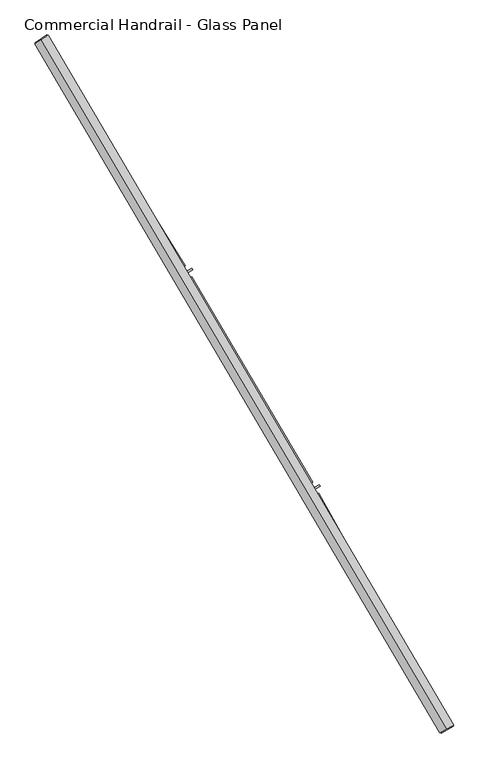
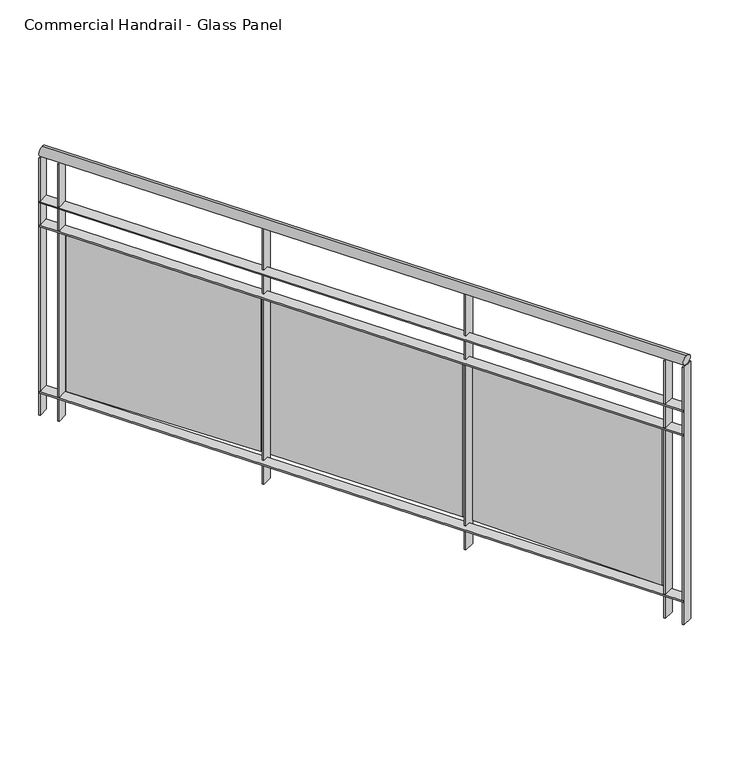
"""IFC4 building model written with IfcOpenShell, lengths in millimetres: railing geometry, Commercial Handrail - Glass Panel."""

from ifc_helpers import new_model, si_unit, point, frame, origin, place, context, project, spatial, polyline, circle_curve, ellipse_curve, trimmed, outline, extrude, source, transform, mapped, element, save
from ifc_brep_helpers import plane_surface, cylinder_surface, revolved_surface, advanced_brep


def commercial_handrail_glass_panel_e4160bf5(model_context):
    return source(origin(), model_context, "Body", "SolidModel", [
        advanced_brep(
        [(177076.0575657, -31977.9006077, 12882.5), (175783.9289157, -29780.3413827, 12882.5), (175783.9289157, -29780.3413827, 12917.5), (177076.0575657, -31977.9006077, 12917.5)],
        [
            (0, 1, circle_curve(frame((146629.3968491, -48401.3811221, 12882.5), z_axis=(0.0, 0.0, 1.0), x_axis=(0.8427679503753938, 0.5382770493157384, 0.0)), 34593.7835601)),
            (1, 2, ellipse_curve(frame((175783.9289157, -29780.3413827, 12900.0), z_axis=(0.5382770493157334, -0.842767950375397, 0.0), x_axis=(-0.842767950375397, -0.5382770493157334, 0.0)), 25.0, 17.5)),
            (2, 3, circle_curve(frame((146629.3968491, -48401.3811221, 12917.5), z_axis=(0.0, 0.0, -1.0), x_axis=(0.8427679503753938, 0.5382770493157384, 0.0)), 34593.7835601)),
            (3, 0, ellipse_curve(frame((177076.0575657, -31977.9006077, 12900.0), z_axis=(-0.47475236369846063, 0.8801194198304708, 0.0), x_axis=(-0.8801194198304708, -0.47475236369846063, 0.0)), 25.0, 17.5)),
            (2, 1, ellipse_curve(frame((175783.9289157, -29780.3413827, 12900.0), z_axis=(0.5382770493157334, -0.842767950375397, 0.0), x_axis=(-0.842767950375397, -0.5382770493157334, 0.0)), 25.0, 17.5)),
            (0, 3, ellipse_curve(frame((177076.0575657, -31977.9006077, 12900.0), z_axis=(-0.47475236369846063, 0.8801194198304708, 0.0), x_axis=(-0.8801194198304708, -0.47475236369846063, 0.0)), 25.0, 17.5)),
        ],
        [
            revolved_surface(trimmed(ellipse_curve(frame((175783.9289157, -29780.3413827, 12900.0), z_axis=(-0.5382770493157384, 0.8427679503753938, 0.0), x_axis=(0.0, 0.0, -1.0)), 17.5, 25.0), [point((175783.9289157, -29780.3413827, 12917.5))], [point((175783.9289157, -29780.3413827, 12882.5))], True, "CARTESIAN"), (146629.3968491, -48401.3811221, 12900.0), (0.0, 0.0, -1.0)),
            revolved_surface(trimmed(ellipse_curve(frame((175783.9289157, -29780.3413827, 12900.0), z_axis=(-0.5382770493157384, 0.8427679503753938, 0.0), x_axis=(0.0, 0.0, -1.0)), 17.5, 25.0), [point((175783.9289157, -29780.3413827, 12882.5))], [point((175783.9289157, -29780.3413827, 12917.5))], True, "CARTESIAN"), (146629.3968491, -48401.3811221, 12900.0), (0.0, 0.0, -1.0)),
            plane_surface(frame((175783.9289157, -29780.3413827, 12900.0), z_axis=(-0.5382770493157384, 0.8427679503753938, 0.0), x_axis=(0.8427679503753938, 0.5382770493157384, 0.0))),
            plane_surface(frame((177076.0575657, -31977.9006077, 12900.0), z_axis=(0.4747523636984607, -0.8801194198304708, 0.0), x_axis=(0.8801194198304708, 0.4747523636984607, 0.0))),
        ],
        [
            (0, [[1, 2, 3, 4]]),
            (1, [[-3, 5, -1, 6]]),
            (2, [[-2, -5]]),
            (3, [[-6, -4]]),
        ],
    ),
        advanced_brep(
        [(177095.8602527, -31967.2186795, 12700.0), (175802.8911946, -29768.2301491, 12700.0), (175764.9666369, -29792.4526163, 12700.0), (177056.2548788, -31988.5825359, 12700.0), (177095.8602527, -31967.2186795, 12694.0), (175802.8911946, -29768.2301491, 12694.0), (177056.2548788, -31988.5825359, 12694.0), (175764.9666369, -29792.4526163, 12694.0)],
        [
            (0, 1, circle_curve(frame((146629.3968491, -48401.3811221, 12700.0), z_axis=(0.0, 0.0, 1.0), x_axis=(0.8427679503753938, 0.5382770493157384, 0.0)), 34616.2835601)),
            (1, 2),
            (2, 3, circle_curve(frame((146629.3968491, -48401.3811221, 12700.0), z_axis=(0.0, 0.0, -1.0), x_axis=(0.8427679503753938, 0.5382770493157384, 0.0)), 34571.2835601)),
            (3, 0),
            (4, 5, circle_curve(frame((146629.3968491, -48401.3811221, 12694.0), z_axis=(0.0, 0.0, 1.0), x_axis=(0.8427679503753938, 0.5382770493157384, 0.0)), 34616.2835601)),
            (5, 1),
            (0, 4),
            (6, 7, circle_curve(frame((146629.3968491, -48401.3811221, 12694.0), z_axis=(0.0, 0.0, 1.0), x_axis=(0.8427679503753938, 0.5382770493157384, 0.0)), 34571.2835601)),
            (7, 5),
            (4, 6),
            (2, 7),
            (6, 3),
        ],
        [
            plane_surface(frame((146629.3968491, -48401.3811221, 12700.0), z_axis=(0.0, 0.0, 1.0), x_axis=(0.8427679503753938, 0.5382770493157384, 0.0))),
            cylinder_surface(frame((146629.3968491, -48401.3811221, 12700.0), z_axis=(0.0, 0.0, -1.0), x_axis=(0.8427679503753938, 0.5382770493157384, 0.0)), 34616.2835601),
            plane_surface(frame((146629.3968491, -48401.3811221, 12694.0), z_axis=(0.0, 0.0, -1.0), x_axis=(0.8427679503753938, 0.5382770493157384, 0.0))),
            revolved_surface(polyline([(175764.96663689203, -29792.45261631168, 12694.0), (175764.96663689203, -29792.45261631168, 12700.0)]), (146629.3968491, -48401.3811221, 12700.0), (0.0, 0.0, -1.0)),
            plane_surface(frame((175783.9289157, -29780.3413827, 12700.0), z_axis=(-0.5382770493157384, 0.8427679503753938, 0.0), x_axis=(0.8427679503753938, 0.5382770493157384, 0.0))),
            plane_surface(frame((177076.0575657, -31977.9006077, 12700.0), z_axis=(0.4747523636984607, -0.8801194198304708, 0.0), x_axis=(0.8801194198304708, 0.4747523636984607, 0.0))),
        ],
        [
            (0, [[1, 2, 3, 4]]),
            (1, [[5, 6, -1, 7]]),
            (2, [[8, 9, -5, 10]]),
            (3, [[-3, 11, -8, 12]]),
            (4, [[-2, -6, -9, -11]]),
            (5, [[-12, -10, -7, -4]]),
        ],
    ),
        advanced_brep(
        [(177095.8602527, -31967.2186795, 12600.0), (175802.8911946, -29768.2301491, 12600.0), (175764.9666369, -29792.4526163, 12600.0), (177056.2548788, -31988.5825359, 12600.0), (177095.8602527, -31967.2186795, 12594.0), (175802.8911946, -29768.2301491, 12594.0), (177056.2548788, -31988.5825359, 12594.0), (175764.9666369, -29792.4526163, 12594.0)],
        [
            (0, 1, circle_curve(frame((146629.3968491, -48401.3811221, 12600.0), z_axis=(0.0, 0.0, 1.0), x_axis=(0.8427679503753938, 0.5382770493157384, 0.0)), 34616.2835601)),
            (1, 2),
            (2, 3, circle_curve(frame((146629.3968491, -48401.3811221, 12600.0), z_axis=(0.0, 0.0, -1.0), x_axis=(0.8427679503753938, 0.5382770493157384, 0.0)), 34571.2835601)),
            (3, 0),
            (4, 5, circle_curve(frame((146629.3968491, -48401.3811221, 12594.0), z_axis=(0.0, 0.0, 1.0), x_axis=(0.8427679503753938, 0.5382770493157384, 0.0)), 34616.2835601)),
            (5, 1),
            (0, 4),
            (6, 7, circle_curve(frame((146629.3968491, -48401.3811221, 12594.0), z_axis=(0.0, 0.0, 1.0), x_axis=(0.8427679503753938, 0.5382770493157384, 0.0)), 34571.2835601)),
            (7, 5),
            (4, 6),
            (2, 7),
            (6, 3),
        ],
        [
            plane_surface(frame((146629.3968491, -48401.3811221, 12600.0), z_axis=(0.0, 0.0, 1.0), x_axis=(0.8427679503753938, 0.5382770493157384, 0.0))),
            cylinder_surface(frame((146629.3968491, -48401.3811221, 12600.0), z_axis=(0.0, 0.0, -1.0), x_axis=(0.8427679503753938, 0.5382770493157384, 0.0)), 34616.2835601),
            plane_surface(frame((146629.3968491, -48401.3811221, 12594.0), z_axis=(0.0, 0.0, -1.0), x_axis=(0.8427679503753938, 0.5382770493157384, 0.0))),
            revolved_surface(polyline([(175764.96663689203, -29792.45261631168, 12594.0), (175764.96663689203, -29792.45261631168, 12600.0)]), (146629.3968491, -48401.3811221, 12600.0), (0.0, 0.0, -1.0)),
            plane_surface(frame((175783.9289157, -29780.3413827, 12600.0), z_axis=(-0.5382770493157384, 0.8427679503753938, 0.0), x_axis=(0.8427679503753938, 0.5382770493157384, 0.0))),
            plane_surface(frame((177076.0575657, -31977.9006077, 12600.0), z_axis=(0.4747523636984607, -0.8801194198304708, 0.0), x_axis=(0.8801194198304708, 0.4747523636984607, 0.0))),
        ],
        [
            (0, [[1, 2, 3, 4]]),
            (1, [[5, 6, -1, 7]]),
            (2, [[8, 9, -5, 10]]),
            (3, [[-3, 11, -8, 12]]),
            (4, [[-2, -6, -9, -11]]),
            (5, [[-12, -10, -7, -4]]),
        ],
    ),
        advanced_brep(
        [(177095.8602527, -31967.2186795, 11900.0), (175802.8911946, -29768.2301491, 11900.0), (175764.9666369, -29792.4526163, 11900.0), (177056.2548788, -31988.5825359, 11900.0), (177095.8602527, -31967.2186795, 11894.0), (175802.8911946, -29768.2301491, 11894.0), (177056.2548788, -31988.5825359, 11894.0), (175764.9666369, -29792.4526163, 11894.0)],
        [
            (0, 1, circle_curve(frame((146629.3968491, -48401.3811221, 11900.0), z_axis=(0.0, 0.0, 1.0), x_axis=(0.8427679503753938, 0.5382770493157384, 0.0)), 34616.2835601)),
            (1, 2),
            (2, 3, circle_curve(frame((146629.3968491, -48401.3811221, 11900.0), z_axis=(0.0, 0.0, -1.0), x_axis=(0.8427679503753938, 0.5382770493157384, 0.0)), 34571.2835601)),
            (3, 0),
            (4, 5, circle_curve(frame((146629.3968491, -48401.3811221, 11894.0), z_axis=(0.0, 0.0, 1.0), x_axis=(0.8427679503753938, 0.5382770493157384, 0.0)), 34616.2835601)),
            (5, 1),
            (0, 4),
            (6, 7, circle_curve(frame((146629.3968491, -48401.3811221, 11894.0), z_axis=(0.0, 0.0, 1.0), x_axis=(0.8427679503753938, 0.5382770493157384, 0.0)), 34571.2835601)),
            (7, 5),
            (4, 6),
            (2, 7),
            (6, 3),
        ],
        [
            plane_surface(frame((146629.3968491, -48401.3811221, 11900.0), z_axis=(0.0, 0.0, 1.0), x_axis=(0.8427679503753938, 0.5382770493157384, 0.0))),
            cylinder_surface(frame((146629.3968491, -48401.3811221, 11900.0), z_axis=(0.0, 0.0, -1.0), x_axis=(0.8427679503753938, 0.5382770493157384, 0.0)), 34616.2835601),
            plane_surface(frame((146629.3968491, -48401.3811221, 11894.0), z_axis=(0.0, 0.0, -1.0), x_axis=(0.8427679503753938, 0.5382770493157384, 0.0))),
            revolved_surface(polyline([(175764.96663689203, -29792.45261631168, 11894.0), (175764.96663689203, -29792.45261631168, 11900.0)]), (146629.3968491, -48401.3811221, 11900.0), (0.0, 0.0, -1.0)),
            plane_surface(frame((175783.9289157, -29780.3413827, 11900.0), z_axis=(-0.5382770493157384, 0.8427679503753938, 0.0), x_axis=(0.8427679503753938, 0.5382770493157384, 0.0))),
            plane_surface(frame((177076.0575657, -31977.9006077, 11900.0), z_axis=(0.4747523636984607, -0.8801194198304708, 0.0), x_axis=(0.8801194198304708, 0.4747523636984607, 0.0))),
        ],
        [
            (0, [[1, 2, 3, 4]]),
            (1, [[5, 6, -1, 7]]),
            (2, [[8, 9, -5, 10]]),
            (3, [[-3, 11, -8, 12]]),
            (4, [[-2, -6, -9, -11]]),
            (5, [[-12, -10, -7, -4]]),
        ],
    ),
        extrude(outline(polyline([(177019.2025619, -31920.0776321), (177058.7615677, -31898.6280386), (177061.6215135, -31903.9025727), (177022.0625077, -31925.3521662), (177019.2025619, -31920.0776321)])), frame((0.0, 0.0, 11800.0), z_axis=(0.0, 0.0, 1.0), x_axis=(1.0, 0.0, 0.0)), (0.0, 0.0, 1.0), 1082.1192282),
        extrude(outline(polyline([(176667.9811331, -31226.6066951), (177037.9417222, -31890.4810526), (177027.4594955, -31896.3225355), (176657.4989064, -31232.4481781), (176667.9811331, -31226.6066951)])), frame((0.0, 0.0, 11920.0), z_axis=(0.0, 0.0, 1.0), x_axis=(1.0, 0.0, 0.0)), (0.0, 0.0, 1.0), 660.0),
        extrude(outline(polyline([(176629.9717234, -31221.766365), (176669.0241625, -31199.4077648), (176672.0053092, -31204.6147567), (176632.9528701, -31226.9733569), (176629.9717234, -31221.766365)])), frame((0.0, 0.0, 11800.0), z_axis=(0.0, 0.0, 1.0), x_axis=(1.0, 0.0, 0.0)), (0.0, 0.0, 1.0), 1082.1192282),
        extrude(outline(polyline([(176262.8087433, -30536.6023126), (176648.0214972, -31191.7443844), (176637.6771487, -31197.8266911), (176252.4643948, -30542.6846193), (176262.8087433, -30536.6023126)])), frame((0.0, 0.0, 11920.0), z_axis=(0.0, 0.0, 1.0), x_axis=(1.0, 0.0, 0.0)), (0.0, 0.0, 1.0), 660.0),
        extrude(outline(polyline([(176224.6975714, -30532.6421866), (176263.2225599, -30509.3865364), (176266.3233132, -30514.5232015), (176227.7983248, -30537.7788517), (176224.6975714, -30532.6421866)])), frame((0.0, 0.0, 11800.0), z_axis=(0.0, 0.0, 1.0), x_axis=(1.0, 0.0, 0.0)), (0.0, 0.0, 1.0), 1082.1192282),
        extrude(outline(polyline([(175841.7893867, -29856.1514219), (176242.0483063, -30502.2108598), (176231.8473678, -30508.5307375), (175831.5884482, -29862.4712996), (175841.7893867, -29856.1514219)])), frame((0.0, 0.0, 11920.0), z_axis=(0.0, 0.0, 1.0), x_axis=(1.0, 0.0, 0.0)), (0.0, 0.0, 1.0), 660.0),
        extrude(outline(polyline([(175803.5968332, -29853.0736178), (175841.5737692, -29828.9333539), (175844.792471, -29833.9969454), (175806.8155351, -29858.1372092), (175803.5968332, -29853.0736178)])), frame((0.0, 0.0, 11800.0), z_axis=(0.0, 0.0, 1.0), x_axis=(1.0, 0.0, 0.0)), (0.0, 0.0, 1.0), 1082.1192282),
        extrude(outline(polyline([(177054.8306217, -31985.9421776), (177094.4359956, -31964.5783212), (177097.2845098, -31969.8590378), (177057.6791359, -31991.2228941), (177054.8306217, -31985.9421776)])), frame((0.0, 0.0, 11800.0), z_axis=(0.0, 0.0, 1.0), x_axis=(1.0, 0.0, 0.0)), (0.0, 0.0, 1.0), 1082.1192282),
        extrude(outline(polyline([(175763.3518057, -29789.9243125), (175801.2763635, -29765.7018453), (175804.5060258, -29770.758453), (175766.581468, -29794.9809202), (175763.3518057, -29789.9243125)])), frame((0.0, 0.0, 11800.0), z_axis=(0.0, 0.0, 1.0), x_axis=(1.0, 0.0, 0.0)), (0.0, 0.0, 1.0), 1082.1192282),
    ])


if __name__ == "__main__":
    model = new_model("IFC4")
    model_context = context("Model", 3, world=origin())
    ifc_project = project(units=[si_unit("LENGTHUNIT", "METRE", prefix="MILLI")], contexts=[model_context])
    site = spatial("IfcSite", under=ifc_project)
    building = spatial("IfcBuilding", under=site)
    placement = place(None, origin())
    commercial_handrail_glass_panel_shape = commercial_handrail_glass_panel_e4160bf5(model_context)
    element("IfcRailing", 1, ObjectType="Commercial Handrail - Glass Panel", at=placement, inside=building, context=model_context, shape_type="MappedRepresentation", body=[
        mapped(commercial_handrail_glass_panel_shape, transform((0.0, 0.0, 0.0), x_axis=(1.0, 0.0, 0.0), y_axis=(0.0, 1.0, 0.0), z_axis=(0.0, 0.0, 1.0))),
    ])
    save(model, "model.ifc")
